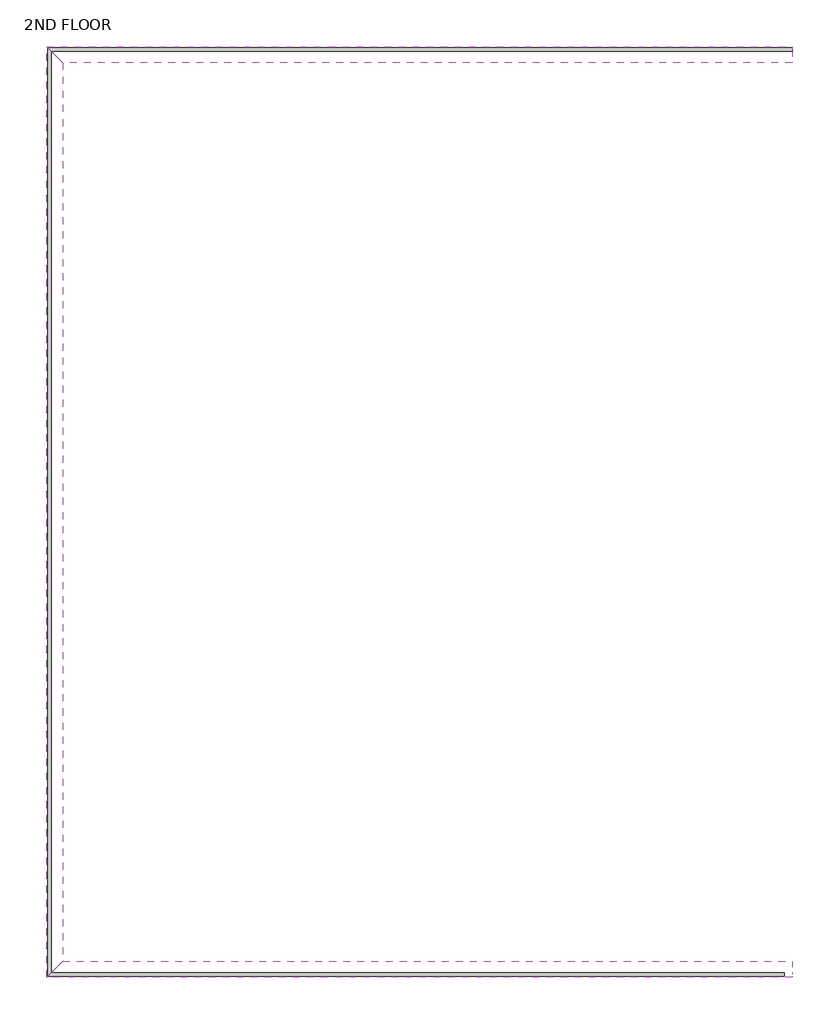
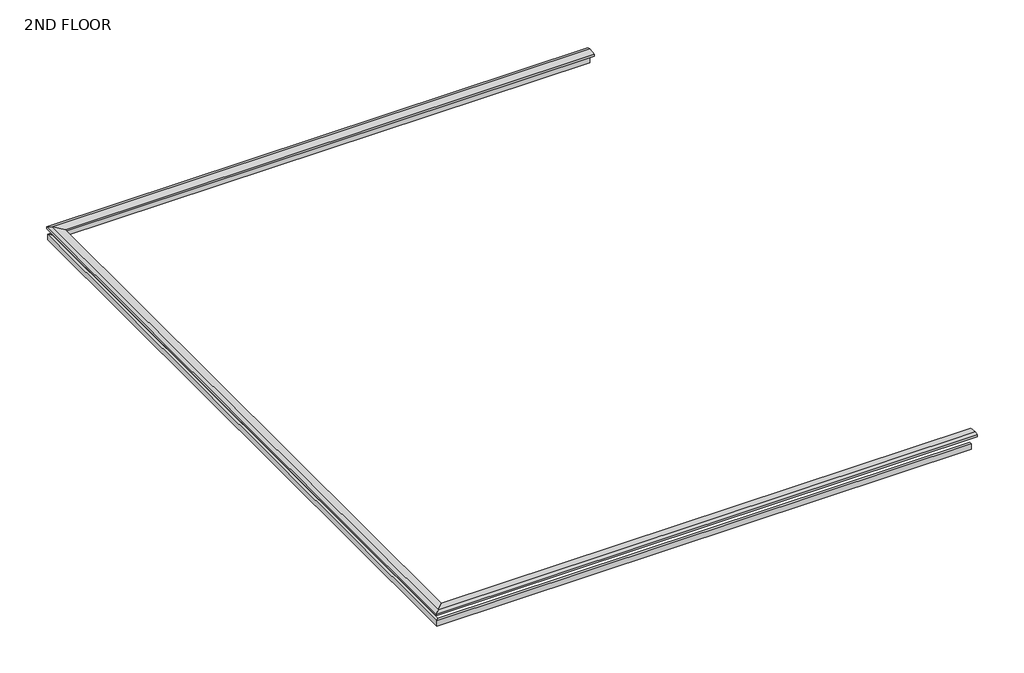
# One storey: 6 proxies.
"""IFC4 building model written with IfcOpenShell, lengths in millimetres."""

import ifcopenshell
import ifcopenshell.guid

model = None  # the IFC model being written
_history = None  # IfcOwnerHistory: only IFC2X3 demands one
_inside = {}  # id of a spatial element -> (the spatial element, [elements in it])
_under = {}  # id of a project, library or spatial element -> (it, [spatial elements below it])
_declared = {}  # id of a project -> (the project, [libraries it declares])
_typed = {}  # id of a type object -> (the type object, [elements of that type])
_made_of = {}  # id of a material, layer set ... -> (it, [elements and type objects made of it])


def new_model(schema):
    """Start an empty IFC model of exactly this schema.

    Asked for "IFC4X3", IfcOpenShell would pick the latest addendum, in which some entities
    have other attributes; the version numbers below select the first issue.
    IFC2X3 requires an IfcOwnerHistory on every rooted entity: one is made here for all.
    """
    global model, _history
    if schema == "IFC4X3":
        model = ifcopenshell.file(schema_version=(4, 3, 0, 0))
    else:
        model = ifcopenshell.file(schema=schema)
    _inside.clear()
    _under.clear()
    _declared.clear()
    _typed.clear()
    _made_of.clear()
    _history = None
    if model.schema == "IFC2X3":
        org = make("IfcOrganization", Name="unknown")
        user = make(
            "IfcPersonAndOrganization",
            ThePerson=make("IfcPerson", FamilyName="unknown"),
            TheOrganization=org,
        )
        app = make(
            "IfcApplication",
            ApplicationDeveloper=org,
            Version="unknown",
            ApplicationFullName="unknown",
            ApplicationIdentifier="unknown",
        )
        _history = make(
            "IfcOwnerHistory",
            OwningUser=user,
            OwningApplication=app,
            ChangeAction="ADDED",
            CreationDate=0,
        )
    return model


def make(cls, **values):
    """One entity of the class cls with the attributes given. An attribute that is None is left unset."""
    return model.create_entity(
        cls, **{name: value for name, value in values.items() if value is not None}
    )


def rooted(cls, **values):
    """An entity with a GlobalId (a new one), such as an element, a storey or a relation."""
    return make(cls, GlobalId=ifcopenshell.guid.new(), OwnerHistory=_history, **values)


def si_unit(unit_type, name, prefix=None):
    """IfcSIUnit, for example si_unit("LENGTHUNIT", "METRE", prefix="MILLI")."""
    return make("IfcSIUnit", UnitType=unit_type, Prefix=prefix, Name=name)


def assignment(units):
    """IfcUnitAssignment: the units of a project."""
    return None if units is None else make("IfcUnitAssignment", Units=units)


def point(xyz):
    """IfcCartesianPoint."""
    return None if xyz is None else make("IfcCartesianPoint", Coordinates=xyz)


def direction(xyz):
    """IfcDirection."""
    return None if xyz is None else make("IfcDirection", DirectionRatios=xyz)


def frame(location, z_axis=None, x_axis=None):
    """IfcAxis2Placement3D, a coordinate frame: its origin and axes. An axis left out is left unset."""
    return make(
        "IfcAxis2Placement3D",
        Location=point(location),
        Axis=direction(z_axis),
        RefDirection=direction(x_axis),
    )


def origin():
    """The frame at (0, 0, 0) with its axes left unset."""
    return frame((0.0, 0.0, 0.0))


def place(relative_to, where):
    """IfcLocalPlacement: puts the frame where relative to a parent placement (None: the world)."""
    return make(
        "IfcLocalPlacement", PlacementRelTo=relative_to, RelativePlacement=where
    )


def context(
    kind, dimensions, precision=None, world=None, true_north=None, identifier=None
):
    """IfcGeometricRepresentationContext, for example the 3D "Model" context."""
    return make(
        "IfcGeometricRepresentationContext",
        ContextIdentifier=identifier,
        ContextType=kind,
        CoordinateSpaceDimension=dimensions,
        Precision=precision,
        WorldCoordinateSystem=world,
        TrueNorth=true_north,
    )


def project(units=None, contexts=None):
    """IfcProject with its units and contexts."""
    return rooted(
        "IfcProject",
        Name="project",
        RepresentationContexts=contexts,
        UnitsInContext=assignment(units),
    )


def spatial(cls, under=None, at=None, **own):
    """A site, building, storey or space (cls), placed at a placement, below another one or the project."""
    s = rooted(cls, ObjectPlacement=at, **own)
    if under is not None:
        _under.setdefault(under.id(), (under, []))[1].append(s)
    return s


def polyline(points):
    """IfcPolyline through the points."""
    return make("IfcPolyline", Points=[point(p) for p in points])


def outline(outer, holes=None, kind="AREA"):
    """IfcArbitraryClosedProfileDef: a profile drawn as a closed curve; with holes, ...WithVoids."""
    if holes is None:
        return make("IfcArbitraryClosedProfileDef", ProfileType=kind, OuterCurve=outer)
    return make(
        "IfcArbitraryProfileDefWithVoids",
        ProfileType=kind,
        OuterCurve=outer,
        InnerCurves=holes,
    )


def extrude(swept, where, along, depth):
    """IfcExtrudedAreaSolid: the profile swept, set in the frame where, extruded along a direction by depth."""
    return make(
        "IfcExtrudedAreaSolid",
        SweptArea=swept,
        Position=where,
        ExtrudedDirection=direction(along),
        Depth=depth,
    )


def faces_of(points, faces, orient=None, outer=None):
    """IfcFace entities. A face is a list of loops; a loop is a list of indices into points, from 0.

    orient and outer hold one flag for each loop. By default every Orientation is true, the
    first loop of a face is its IfcFaceOuterBound and the others are IfcFaceBound.
    """
    made = []
    for i, loops in enumerate(faces):
        bounds = []
        for j, loop in enumerate(loops):
            is_outer = j == 0 if outer is None else outer[i][j]
            bounds.append(
                make(
                    "IfcFaceOuterBound" if is_outer else "IfcFaceBound",
                    Bound=make("IfcPolyLoop", Polygon=[points[k] for k in loop]),
                    Orientation=True if orient is None else orient[i][j],
                )
            )
        made.append(make("IfcFace", Bounds=bounds))
    return made


def faceted_brep(points, faces, orient=None, outer=None, voids=None):
    """IfcFacetedBrep: a solid bounded by flat faces; with voids (closed shells), ...WithVoids."""
    shared = [point(p) for p in points]
    hull = make("IfcClosedShell", CfsFaces=faces_of(shared, faces, orient, outer))
    if voids is None:
        return make("IfcFacetedBrep", Outer=hull)
    return make(
        "IfcFacetedBrepWithVoids",
        Outer=hull,
        Voids=[
            make(cls, CfsFaces=faces_of(shared, fs, o, b)) for cls, fs, o, b in voids
        ],
    )


def shape(context_of_items, identifier, shape_type, items):
    """IfcShapeRepresentation: the items that make up one representation, for example the "Body"."""
    return make(
        "IfcShapeRepresentation",
        ContextOfItems=context_of_items,
        RepresentationIdentifier=identifier,
        RepresentationType=shape_type,
        Items=items,
    )


def made_of(thing, what):
    """Note that an element or type object is made of a material, layer set ...; save() writes the relation."""
    if what is not None:
        _made_of.setdefault(what.id(), (what, []))[1].append(thing)
    return thing


def element(
    cls,
    number,
    at=None,
    inside=None,
    cuts=None,
    type_object=None,
    material=None,
    context=None,
    identifier="Body",
    shape_type=None,
    held_by="IfcProductDefinitionShape",
    body=None,
    shapes=None,
    **own,
):
    """One element of the class cls, such as IfcWall. Its Tag is "e" and its number.

    at: its placement. inside: the storey or other place that contains it. cuts: it is an
    opening in that element (IfcRelVoidsElement). A single representation is given by context,
    identifier, shape_type and body (its items); several are given by shapes. held_by: the class
    of the entity that holds the representations. save() writes the other relations.
    """
    e = rooted(cls, Tag="e%d" % number, ObjectPlacement=at, **own)
    if body is not None:
        shapes = [shape(context, identifier, shape_type, body)]
    if shapes is not None:
        e.Representation = make(held_by, Representations=shapes)
    if inside is not None:
        _inside.setdefault(inside.id(), (inside, []))[1].append(e)
    if cuts is not None:
        rooted(
            "IfcRelVoidsElement", RelatingBuildingElement=cuts, RelatedOpeningElement=e
        )
    if type_object is not None:
        _typed.setdefault(type_object.id(), (type_object, []))[1].append(e)
    return made_of(e, material)


def aggregate(whole, parts):
    """IfcRelAggregates: a whole, such as a stair, and the parts it consists of."""
    return rooted("IfcRelAggregates", RelatingObject=whole, RelatedObjects=parts)


def save(model, path):
    """Write the relations noted so far, then the file.

    IfcRelAggregates (storeys below a building ...), IfcRelContainedInSpatialStructure (elements
    in a storey), IfcRelDefinesByType, IfcRelAssociatesMaterial and IfcRelDeclares: one each for
    every whole, place, type object, material and project.
    """
    for whole, parts in _under.values():
        aggregate(whole, parts)
    for where, things in _inside.values():
        rooted(
            "IfcRelContainedInSpatialStructure",
            RelatedElements=things,
            RelatingStructure=where,
        )
    for kind, things in _typed.values():
        rooted("IfcRelDefinesByType", RelatedObjects=things, RelatingType=kind)
    for what, things in _made_of.values():
        rooted("IfcRelAssociatesMaterial", RelatedObjects=things, RelatingMaterial=what)
    for by, libraries in _declared.values():
        rooted("IfcRelDeclares", RelatingContext=by, RelatedDefinitions=libraries)
    model.write(path)


model = new_model("IFC4")

# Units and contexts
model_context = context("Model", 3, world=origin())
ifc_project = project(units=[si_unit("LENGTHUNIT", "METRE", prefix="MILLI")], contexts=[model_context])

# Site, building, storey
site = spatial("IfcSite", under=ifc_project)
building = spatial("IfcBuilding", under=site)
storey = spatial("IfcBuildingStorey", under=building, Name="2ND FLOOR", Elevation=5943.6)

# Proxies
placement = place(None, origin())
element("IfcBuildingElementProxy", 1, Name="Wall Sweeps", at=placement, inside=storey, context=model_context, shape_type="Brep", body=[
    faceted_brep([(44622.11116, 26307.6657664, 6959.6), (44622.11116, 26307.6657664, 6756.4), (44714.18616, 26399.7407664, 6756.4), (44714.18616, 26399.7407664, 6959.6), (44622.11116, 49437.5407664, 6959.6), (44714.18616, 49345.4657664, 6959.6), (44714.18616, 49345.4657664, 6756.4), (44622.11116, 49437.5407664, 6756.4), (44622.11116, 26672.7907664, 6959.6), (44622.11116, 26672.7907664, 6756.4), (44714.18616, 26672.7907664, 6756.4), (44714.18616, 26672.7907664, 6959.6)], [[[0, 1, 2, 3]], [[4, 5, 6, 7]], [[1, 0, 8, 4, 7, 9]], [[2, 1, 9, 7, 6, 10]], [[3, 2, 10, 6, 5, 11]], [[0, 3, 11, 5, 4, 8]]]),
])
element("IfcBuildingElementProxy", 2, Name="Wall Sweeps", at=placement, inside=storey, context=model_context, shape_type="Brep", body=[
    faceted_brep([(45003.11116, 26688.6657664, 7226.3), (44723.71116, 26409.2657664, 7264.4), (44596.71116, 26282.2657664, 7226.3), (44596.71116, 26282.2657664, 7162.8), (45003.11116, 26688.6657664, 7162.8), (45003.11116, 49056.5407664, 7226.3), (45003.11116, 49056.5407664, 7162.8), (44596.71116, 49462.9407664, 7162.8), (44596.71116, 49462.9407664, 7226.3), (44723.71116, 49335.9407664, 7264.4)], [[[0, 1, 2, 3, 4]], [[5, 6, 7, 8, 9]], [[1, 0, 5, 9]], [[2, 1, 9, 8]], [[3, 2, 8, 7]], [[4, 3, 7, 6]], [[0, 4, 6, 5]]]),
])
element("IfcBuildingElementProxy", 3, Name="Wall Sweeps", at=placement, inside=storey, context=model_context, shape_type="SweptSolid", body=[
    extrude(outline(polyline([(62964.08616, 26399.7407664), (62964.08616, 26307.6657664), (44622.11116, 26307.6657664), (44714.18616, 26399.7407664), (62964.08616, 26399.7407664)])), frame((0.0, 0.0, 6756.4), z_axis=(0.0, 0.0, 1.0), x_axis=(1.0, 0.0, 0.0)), (0.0, 0.0, 1.0), 203.2),
])
element("IfcBuildingElementProxy", 4, Name="Wall Sweeps", at=placement, inside=storey, context=model_context, shape_type="Brep", body=[
    faceted_brep([(63167.28616, 26688.6657664, 7226.3), (63167.28616, 26409.2657664, 7264.4), (63167.28616, 26282.2657664, 7226.3), (63167.28616, 26282.2657664, 7162.8), (63167.28616, 26307.6657664, 7162.8), (63167.28616, 26672.7907664, 7162.8), (63167.28616, 26688.6657664, 7162.8), (45003.11116, 26688.6657664, 7226.3), (45003.11116, 26688.6657664, 7162.8), (44596.71116, 26282.2657664, 7162.8), (44596.71116, 26282.2657664, 7226.3), (44723.71116, 26409.2657664, 7264.4)], [[[0, 1, 2, 3, 4, 5, 6]], [[7, 8, 9, 10, 11]], [[1, 0, 7, 11]], [[2, 1, 11, 10]], [[3, 2, 10, 9]], [[6, 5, 4, 3, 9, 8]], [[0, 6, 8, 7]]]),
])
element("IfcBuildingElementProxy", 5, Name="Wall Sweeps", at=placement, inside=storey, context=model_context, shape_type="Brep", body=[
    faceted_brep([(63167.28616, 49437.5407664, 6959.6), (63167.28616, 49345.4657664, 6959.6), (63167.28616, 49345.4657664, 6756.4), (63167.28616, 49437.5407664, 6756.4), (44622.11116, 49437.5407664, 6959.6), (44622.11116, 49437.5407664, 6756.4), (44714.18616, 49345.4657664, 6756.4), (44714.18616, 49345.4657664, 6959.6), (44987.23616, 49437.5407664, 6756.4), (44987.23616, 49437.5407664, 6959.6), (44987.23616, 49345.4657664, 6756.4), (44987.23616, 49345.4657664, 6959.6)], [[[0, 1, 2, 3]], [[4, 5, 6, 7]], [[0, 3, 8, 5, 4, 9]], [[3, 2, 10, 6, 5, 8]], [[2, 1, 11, 7, 6, 10]], [[1, 0, 9, 4, 7, 11]]]),
])
element("IfcBuildingElementProxy", 6, Name="Wall Sweeps", at=placement, inside=storey, context=model_context, shape_type="Brep", body=[
    faceted_brep([(63167.28616, 49056.5407664, 7226.3), (63167.28616, 49056.5407664, 7162.8), (63167.28616, 49072.4157664, 7162.8), (63167.28616, 49437.5407664, 7162.8), (63167.28616, 49462.9407664, 7162.8), (63167.28616, 49462.9407664, 7226.3), (63167.28616, 49335.9407664, 7264.4), (45003.11116, 49056.5407664, 7226.3), (44723.71116, 49335.9407664, 7264.4), (44596.71116, 49462.9407664, 7226.3), (44596.71116, 49462.9407664, 7162.8), (45003.11116, 49056.5407664, 7162.8)], [[[0, 1, 2, 3, 4, 5, 6]], [[7, 8, 9, 10, 11]], [[0, 6, 8, 7]], [[6, 5, 9, 8]], [[5, 4, 10, 9]], [[4, 3, 2, 1, 11, 10]], [[1, 0, 7, 11]]]),
])

save(model, "model.ifc")
